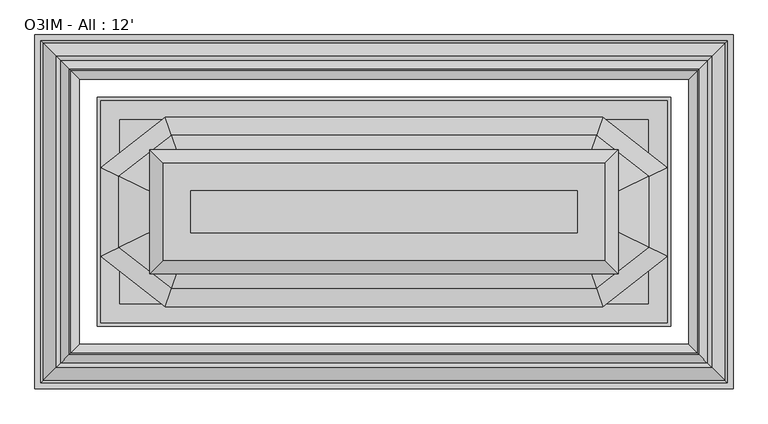
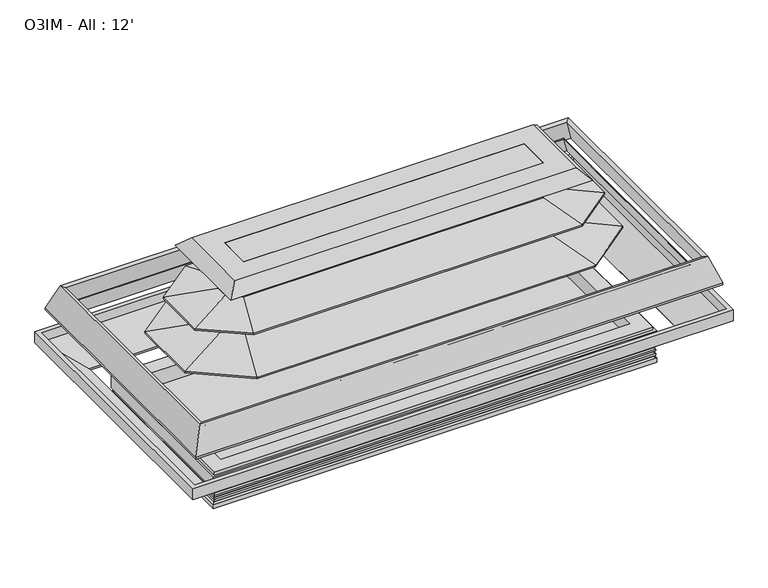
"""IFC4 building model written with IfcOpenShell, lengths in millimetres: proxy geometry, O3IM - All : 12'."""

from ifc_helpers import new_model, si_unit, point, frame, frame_2d, origin, origin_with_axes, place, context, project, spatial, polyline, circle_curve, ellipse_curve, trimmed, segment, composite_curve, outline, extrude, faceted_brep, source, transform, mapped, element, save
from ifc_brep_helpers import plane_surface, cylinder_surface, revolved_surface, advanced_brep


def o3im_all_12_2b293d4b(model_context):
    return source(origin(), model_context, "Body", "SolidModel", [
        faceted_brep([(3094.684755, -1027.5894956, 788.1618652), (3001.1369938, -1299.2719211, 797.0848621), (897.3572661, -1299.2719211, 797.0848621), (803.8095049, -1027.5894956, 788.1618652), (3095.0644333, -1026.4868297, 794.4153945), (803.4298266, -1026.4868297, 794.4153945), (3138.1389963, -901.3892154, 772.3573098), (760.3552636, -901.3892154, 772.3573098), (3138.9458127, -899.0460503, 785.6460595), (759.5484472, -899.0460503, 785.6460595), (3001.1369938, -1299.2719211, 856.2166789), (897.3572661, -1299.2719211, 856.2166789), (536.7748406, -1236.2198407, 788.1618652), (808.4572661, -1368.7282133, 797.0848621), (808.4572661, -1459.9396289, 797.0848621), (536.7748406, -1592.4480016, 788.1618652), (535.6721746, -1235.6820346, 794.4153945), (535.6721746, -1592.9858077, 794.4153945), (410.5745603, -1174.6678513, 772.3573098), (410.5745603, -1653.9999909, 772.3573098), (408.2313952, -1173.5250133, 785.6460595), (408.2313952, -1655.1428289, 785.6460595), (808.4572661, -1368.7282133, 856.2166789), (808.4572661, -1459.9396289, 856.2166789), (803.8095049, -1801.0783466, 788.1618652), (897.3572661, -1529.3959211, 797.0848621), (3001.1369938, -1529.3959211, 797.0848621), (3094.684755, -1801.0783466, 788.1618652), (803.4298266, -1802.1810126, 794.4153945), (3095.0644333, -1802.1810126, 794.4153945), (760.3552636, -1927.2786269, 772.3573098), (3138.1389963, -1927.2786269, 772.3573098), (759.5484472, -1929.621792, 785.6460595), (3138.9458127, -1929.621792, 785.6460595), (897.3572661, -1529.3959211, 856.2166789), (3001.1369938, -1529.3959211, 856.2166789), (3090.0369938, -1459.9396289, 797.0848621), (3361.7194193, -1592.4480016, 788.1618652), (3362.8220853, -1592.9858077, 794.4153945), (3487.9196996, -1653.9999909, 772.3573098), (3490.2628647, -1655.1428289, 785.6460595), (3090.0369938, -1459.9396289, 856.2166789), (3090.0369938, -1368.7282133, 797.0848621), (3361.7194193, -1236.2198407, 788.1618652), (3362.8220853, -1235.6820346, 794.4153945), (3487.9196996, -1174.6678513, 772.3573098), (3490.2628647, -1173.5250133, 785.6460595), (3090.0369938, -1368.7282133, 856.2166789)], [[[0, 1, 2, 3]], [[4, 0, 3, 5]], [[6, 4, 5, 7]], [[8, 6, 7, 9]], [[10, 8, 9, 11]], [[1, 10, 11, 2]], [[12, 13, 14, 15]], [[16, 12, 15, 17]], [[18, 16, 17, 19]], [[20, 18, 19, 21]], [[22, 20, 21, 23]], [[13, 22, 23, 14]], [[24, 25, 26, 27]], [[28, 24, 27, 29]], [[30, 28, 29, 31]], [[32, 30, 31, 33]], [[34, 32, 33, 35]], [[25, 34, 35, 26]], [[3, 2, 13, 12]], [[5, 3, 12, 16]], [[7, 5, 16, 18]], [[9, 7, 18, 20]], [[11, 9, 20, 22]], [[2, 11, 22, 13]], [[15, 14, 25, 24]], [[17, 15, 24, 28]], [[19, 17, 28, 30]], [[21, 19, 30, 32]], [[23, 21, 32, 34]], [[14, 23, 34, 25]], [[27, 26, 36, 37]], [[29, 27, 37, 38]], [[31, 29, 38, 39]], [[33, 31, 39, 40]], [[35, 33, 40, 41]], [[26, 35, 41, 36]], [[37, 36, 42, 43]], [[38, 37, 43, 44]], [[39, 38, 44, 45]], [[40, 39, 45, 46]], [[41, 40, 46, 47]], [[36, 41, 47, 42]], [[43, 42, 1, 0]], [[44, 43, 0, 4]], [[45, 44, 4, 6]], [[46, 45, 6, 8]], [[47, 46, 8, 10]], [[42, 47, 10, 1]]]),
        extrude(outline(composite_curve([segment(trimmed(circle_curve(frame_2d((3247.23125, -1313.8632439)), 12.7), [point((3234.53125, -1313.8632439))], [point((3259.93125, -1313.8632439))], False, "CARTESIAN"), True, "CONTINUOUS"), segment(trimmed(circle_curve(frame_2d((3247.23125, -1313.8632439)), 12.7), [point((3259.93125, -1313.8632439))], [point((3234.53125, -1313.8632439))], False, "CARTESIAN"), True, "CONTINUOUS")], self_intersect=False)), origin_with_axes(), (0.0, 0.0, 1.0), 101.6),
        extrude(outline(composite_curve([segment(trimmed(circle_curve(frame_2d((3247.23125, -1369.8367134)), 9.525), [point((3237.70625, -1369.8367134))], [point((3256.75625, -1369.8367134))], False, "CARTESIAN"), True, "CONTINUOUS"), segment(trimmed(circle_curve(frame_2d((3247.23125, -1369.8367134)), 9.525), [point((3256.75625, -1369.8367134))], [point((3237.70625, -1369.8367134))], False, "CARTESIAN"), True, "CONTINUOUS")], self_intersect=False)), origin_with_axes(), (0.0, 0.0, 1.0), 101.6),
        extrude(outline(composite_curve([segment(trimmed(circle_curve(frame_2d((1949.45, -996.2223778)), 38.1), [point((1911.35, -996.2223778))], [point((1987.55, -996.2223778))], False, "CARTESIAN"), True, "CONTINUOUS"), segment(trimmed(circle_curve(frame_2d((1949.45, -996.2223778)), 38.1), [point((1987.55, -996.2223778))], [point((1911.35, -996.2223778))], False, "CARTESIAN"), True, "CONTINUOUS")], self_intersect=False)), origin_with_axes(), (0.0, 0.0, 1.0), 101.6),
        extrude(outline(composite_curve([segment(trimmed(circle_curve(frame_2d((1949.45, -1833.7510429)), 38.1), [point((1987.55, -1833.7510429))], [point((1911.35, -1833.7510429))], False, "CARTESIAN"), True, "CONTINUOUS"), segment(trimmed(circle_curve(frame_2d((1949.45, -1833.7510429)), 38.1), [point((1911.35, -1833.7510429))], [point((1987.55, -1833.7510429))], False, "CARTESIAN"), True, "CONTINUOUS")], self_intersect=False)), origin_with_axes(), (0.0, 0.0, 1.0), 101.6),
        extrude(outline(polyline([(920.5432283, -1535.8952268), (1053.8932283, -1535.8952268), (1053.8932283, -1605.7452268), (920.5432283, -1605.7452268), (920.5432283, -1535.8952268)])), frame((0.0, 0.0, 8.2791794), z_axis=(0.0, 0.0, 1.0), x_axis=(1.0, 0.0, 0.0)), (0.0, 0.0, 1.0), 6.35),
        advanced_brep(
        [(3481.2053221, -819.2036052, 146.05), (417.6946779, -819.2036052, 146.05), (417.6946779, -2009.4642494, 146.05), (3481.2053221, -2009.4642494, 146.05), (3481.2053221, -819.2036052, 14.6291794), (3481.2053221, -2009.4642494, 14.6291794), (417.6946779, -2009.4642494, 14.6291794), (417.6946779, -819.2036052, 14.6291794), (1898.65, -996.2223778, 14.6291794), (2000.25, -996.2223778, 14.6291794), (1898.65, -1833.7510429, 14.6291794), (2000.25, -1833.7510429, 14.6291794), (3196.43125, -1338.1832677, 14.6291794), (3298.03125, -1338.1832677, 14.6291794), (1898.65, -996.2223778, 101.6), (2000.25, -996.2223778, 101.6), (1898.65, -1833.7510429, 101.6), (2000.25, -1833.7510429, 101.6), (3196.43125, -1338.1832677, 101.6), (3298.03125, -1338.1832677, 101.6)],
        [
            (0, 1),
            (1, 2),
            (2, 3),
            (3, 0),
            (4, 5),
            (5, 6),
            (6, 7),
            (7, 4),
            (8, 9, circle_curve(frame((1949.45, -996.2223778, 14.6291794), z_axis=(0.0, 0.0, 1.0), x_axis=(1.0, 0.0, 0.0)), 50.8)),
            (9, 8, circle_curve(frame((1949.45, -996.2223778, 14.6291794), z_axis=(0.0, 0.0, 1.0), x_axis=(1.0, 0.0, 0.0)), 50.8)),
            (10, 11, circle_curve(frame((1949.45, -1833.7510429, 14.6291794), z_axis=(0.0, 0.0, 1.0), x_axis=(1.0, 0.0, 0.0)), 50.8)),
            (11, 10, circle_curve(frame((1949.45, -1833.7510429, 14.6291794), z_axis=(0.0, 0.0, 1.0), x_axis=(1.0, 0.0, 0.0)), 50.8)),
            (12, 13, circle_curve(frame((3247.23125, -1338.1832677, 14.6291794), z_axis=(0.0, 0.0, 1.0), x_axis=(1.0, 0.0, 0.0)), 50.8)),
            (13, 12, circle_curve(frame((3247.23125, -1338.1832677, 14.6291794), z_axis=(0.0, 0.0, 1.0), x_axis=(1.0, 0.0, 0.0)), 50.8)),
            (0, 4),
            (7, 1),
            (6, 2),
            (5, 3),
            (14, 15, circle_curve(frame((1949.45, -996.2223778, 101.6), z_axis=(0.0, 0.0, -1.0), x_axis=(1.0, 0.0, 0.0)), 50.8)),
            (15, 14, circle_curve(frame((1949.45, -996.2223778, 101.6), z_axis=(0.0, 0.0, -1.0), x_axis=(1.0, 0.0, 0.0)), 50.8)),
            (16, 17, circle_curve(frame((1949.45, -1833.7510429, 101.6), z_axis=(0.0, 0.0, -1.0), x_axis=(1.0, 0.0, 0.0)), 50.8)),
            (17, 16, circle_curve(frame((1949.45, -1833.7510429, 101.6), z_axis=(0.0, 0.0, -1.0), x_axis=(1.0, 0.0, 0.0)), 50.8)),
            (15, 9),
            (8, 14),
            (17, 11),
            (10, 16),
            (18, 19, circle_curve(frame((3247.23125, -1338.1832677, 101.6), z_axis=(0.0, 0.0, -1.0), x_axis=(1.0, 0.0, 0.0)), 50.8)),
            (19, 18, circle_curve(frame((3247.23125, -1338.1832677, 101.6), z_axis=(0.0, 0.0, -1.0), x_axis=(1.0, 0.0, 0.0)), 50.8)),
            (19, 13),
            (12, 18),
        ],
        [
            plane_surface(frame((417.6946779, -819.2036052, 146.05), z_axis=(0.0, 0.0, 1.0), x_axis=(-1.0, 0.0, 0.0))),
            plane_surface(frame((417.6946779, -819.2036052, 14.6291794), z_axis=(0.0, 0.0, -1.0), x_axis=(1.0, 0.0, 0.0))),
            plane_surface(frame((3481.2053221, -819.2036052, 146.05), z_axis=(0.0, 1.0, 0.0), x_axis=(0.0, 0.0, -1.0))),
            plane_surface(frame((417.6946779, -819.2036052, 146.05), z_axis=(-1.0, 0.0, 0.0), x_axis=(0.0, 0.0, -1.0))),
            plane_surface(frame((417.6946779, -2009.4642494, 146.05), z_axis=(0.0, -1.0, 0.0), x_axis=(0.0, 0.0, -1.0))),
            plane_surface(frame((3481.2053221, -2009.4642494, 146.05), z_axis=(1.0, 0.0, 0.0), x_axis=(0.0, 0.0, -1.0))),
            plane_surface(frame((2000.25, -996.2223778, 101.6), z_axis=(0.0, 0.0, -1.0), x_axis=(0.0, 1.0, 0.0))),
            revolved_surface(polyline([(2000.25, -996.2223778, 101.6), (2000.25, -996.2223778, 14.6291794)]), (1949.45, -996.2223778, 0.0), (0.0, 0.0, 1.0)),
            revolved_surface(polyline([(2000.25, -1833.7510429, 101.6), (2000.25, -1833.7510429, 14.6291794)]), (1949.45, -1833.7510429, 0.0), (0.0, 0.0, 1.0)),
            plane_surface(frame((3298.03125, -1338.1832677, 101.6), z_axis=(0.0, 0.0, -1.0), x_axis=(0.0, 1.0, 0.0))),
            revolved_surface(polyline([(3298.03125, -1338.1832677, 101.6), (3298.03125, -1338.1832677, 14.6291794)]), (3247.23125, -1338.1832677, 0.0), (0.0, 0.0, 1.0)),
        ],
        [
            (0, [[1, 2, 3, 4]]),
            (1, [[5, 6, 7, 8], [9, 10], [11, 12], [13, 14]]),
            (2, [[-1, 15, -8, 16]]),
            (3, [[-2, -16, -7, 17]]),
            (4, [[-3, -17, -6, 18]]),
            (5, [[-4, -18, -5, -15]]),
            (6, [[19, 20]]),
            (6, [[21, 22]]),
            (7, [[-20, 23, -9, 24]]),
            (7, [[-19, -24, -10, -23]]),
            (8, [[-22, 25, -11, 26]]),
            (8, [[-21, -26, -12, -25]]),
            (9, [[27, 28]]),
            (10, [[-28, 29, -13, 30]]),
            (10, [[-27, -30, -14, -29]]),
        ],
    ),
        advanced_brep(
        [(407.5864212, -2019.5725061, 52.2515752), (404.0973241, -2023.0616032, 41.0863151), (3494.8026759, -2023.0616032, 41.0863151), (3491.3135788, -2019.5725061, 52.2515752), (3501.9507741, -2030.2097014, 50.0937524), (396.9492259, -2030.2097014, 50.0937524), (394.9553259, -2032.2036014, 62.7937524), (394.9553259, -2032.2036014, 50.0937524), (3503.9446741, -2032.2036014, 50.0937524), (3503.9446741, -2032.2036014, 62.7937524), (3494.8026759, -2023.0616032, 72.0584982), (404.0973241, -2023.0616032, 72.0584982), (3491.3135788, -2019.5725061, 83.2237583), (407.5864212, -2019.5725061, 83.2237583), (3501.9507741, -2030.2097014, 81.0659355), (396.9492259, -2030.2097014, 81.0659355), (394.9553259, -2032.2036014, 93.7659355), (394.9553259, -2032.2036014, 81.0659355), (3503.9446741, -2032.2036014, 81.0659355), (3503.9446741, -2032.2036014, 93.7659355), (3494.8026759, -2023.0616032, 103.0306813), (404.0973241, -2023.0616032, 103.0306813), (3491.3135788, -2019.5725061, 114.0694894), (407.5864212, -2019.5725061, 114.0694894), (3501.9507741, -2030.2097014, 112.0383055), (396.9492259, -2030.2097014, 112.0383055), (394.9553259, -2032.2036014, 124.7383055), (394.9553259, -2032.2036014, 112.0383055), (3503.9446741, -2032.2036014, 112.0383055), (3503.9446741, -2032.2036014, 124.7383055), (3491.3135788, -2019.5725061, 137.4381186), (407.5864212, -2019.5725061, 137.4381186), (3491.3135788, -2019.5725061, 146.05), (407.5864212, -2019.5725061, 146.05), (417.6946779, -2009.4642494, 0.0), (417.6946779, -2009.4642494, 146.05), (3481.2053221, -2009.4642494, 146.05), (3481.2053221, -2009.4642494, 0.0), (392.0670212, -2035.0919061, 31.4790022), (392.0670212, -2035.0919061, 0.0), (3506.8329788, -2035.0919061, 0.0), (3506.8329788, -2035.0919061, 31.4790022), (3494.8026759, -805.6062514, 41.0863151), (3491.3135788, -809.0953485, 52.2515752), (3501.9507741, -798.4581532, 50.0937524), (3503.9446741, -796.4642532, 50.0937524), (3503.9446741, -796.4642532, 62.7937524), (3494.8026759, -805.6062514, 72.0584982), (3491.3135788, -809.0953485, 83.2237583), (3501.9507741, -798.4581532, 81.0659355), (3503.9446741, -796.4642532, 81.0659355), (3503.9446741, -796.4642532, 93.7659355), (3494.8026759, -805.6062514, 103.0306813), (3491.3135788, -809.0953485, 114.0694894), (3501.9507741, -798.4581532, 112.0383055), (3503.9446741, -796.4642532, 112.0383055), (3503.9446741, -796.4642532, 124.7383055), (3491.3135788, -809.0953485, 137.4381186), (3491.3135788, -809.0953485, 146.05), (3481.2053221, -819.2036052, 146.05), (3481.2053221, -819.2036052, 0.0), (3506.8329788, -793.5759485, 0.0), (3506.8329788, -793.5759485, 31.4790022), (404.0973241, -805.6062514, 41.0863151), (407.5864212, -809.0953485, 52.2515752), (396.9492259, -798.4581532, 50.0937524), (394.9553259, -796.4642532, 50.0937524), (394.9553259, -796.4642532, 62.7937524), (404.0973241, -805.6062514, 72.0584982), (407.5864212, -809.0953485, 83.2237583), (396.9492259, -798.4581532, 81.0659355), (394.9553259, -796.4642532, 81.0659355), (394.9553259, -796.4642532, 93.7659355), (404.0973241, -805.6062514, 103.0306813), (407.5864212, -809.0953485, 114.0694894), (396.9492259, -798.4581532, 112.0383055), (394.9553259, -796.4642532, 112.0383055), (394.9553259, -796.4642532, 124.7383055), (407.5864212, -809.0953485, 137.4381186), (407.5864212, -809.0953485, 146.05), (417.6946779, -819.2036052, 146.05), (417.6946779, -819.2036052, 0.0), (392.0670212, -793.5759485, 0.0), (392.0670212, -793.5759485, 31.4790022)],
        [
            (0, 1),
            (1, 2),
            (2, 3),
            (3, 0),
            (3, 4),
            (4, 5),
            (5, 0),
            (6, 7),
            (7, 8),
            (8, 9),
            (9, 6),
            (9, 10, ellipse_curve(frame((3507.1365131, -2035.3954404, 75.0861144), z_axis=(0.7071067811865475, 0.7071067811865475, 0.0), x_axis=(0.7071067811865476, -0.7071067811865474, 0.0)), 17.9605122, 12.7)),
            (10, 11),
            (11, 6, ellipse_curve(frame((391.7634869, -2035.3954404, 75.0861144), z_axis=(-0.7071067811865475, 0.7071067811865475, 0.0), x_axis=(0.7071067811865476, 0.7071067811865474, 0.0)), 17.9605122, 12.7)),
            (10, 12),
            (12, 13),
            (13, 11),
            (12, 14),
            (14, 15),
            (15, 13),
            (16, 17),
            (17, 18),
            (18, 19),
            (19, 16),
            (19, 20, ellipse_curve(frame((3507.1365131, -2035.3954404, 106.0582975), z_axis=(0.7071067811865475, 0.7071067811865475, 0.0), x_axis=(0.7071067811865476, -0.7071067811865474, 0.0)), 17.9605122, 12.7)),
            (20, 21),
            (21, 16, ellipse_curve(frame((391.7634869, -2035.3954404, 106.0582975), z_axis=(-0.7071067811865475, 0.7071067811865475, 0.0), x_axis=(0.7071067811865476, 0.7071067811865474, 0.0)), 17.9605122, 12.7)),
            (20, 22),
            (22, 23),
            (23, 21),
            (22, 24),
            (24, 25),
            (25, 23),
            (26, 27),
            (27, 28),
            (28, 29),
            (29, 26),
            (29, 30, ellipse_curve(frame((3504.0135788, -2032.2725061, 137.4381186), z_axis=(0.7071067811865475, 0.7071067811865475, 0.0), x_axis=(0.7071067811865476, -0.7071067811865474, 0.0)), 17.9605122, 12.7)),
            (30, 31),
            (31, 26, ellipse_curve(frame((394.8864212, -2032.2725061, 137.4381186), z_axis=(-0.7071067811865475, 0.7071067811865475, 0.0), x_axis=(0.7071067811865476, 0.7071067811865474, 0.0)), 17.9605122, 12.7)),
            (30, 32),
            (32, 33),
            (33, 31),
            (34, 35),
            (35, 36),
            (36, 37),
            (37, 34),
            (38, 39),
            (39, 40),
            (40, 41),
            (41, 38),
            (1, 38, ellipse_curve(frame((393.1207685, -2034.0381588, 42.4953422), z_axis=(-0.7071067811865475, 0.7071067811865475, 0.0), x_axis=(0.7071067811865476, 0.7071067811865474, 0.0)), 15.6505674, 11.0666223)),
            (41, 2, ellipse_curve(frame((3505.7792315, -2034.0381588, 42.4953422), z_axis=(0.7071067811865475, 0.7071067811865475, 0.0), x_axis=(0.7071067811865476, -0.7071067811865474, 0.0)), 15.6505674, 11.0666223)),
            (2, 42),
            (42, 43),
            (43, 3),
            (43, 44),
            (44, 4),
            (8, 45),
            (45, 46),
            (46, 9),
            (46, 47, ellipse_curve(frame((3507.1365131, -793.2724142, 75.0861144), z_axis=(-0.7071067811865475, 0.7071067811865475, 0.0), x_axis=(0.7071067811865474, 0.7071067811865476, 0.0)), 17.9605122, 12.7)),
            (47, 10),
            (47, 48),
            (48, 12),
            (48, 49),
            (49, 14),
            (18, 50),
            (50, 51),
            (51, 19),
            (51, 52, ellipse_curve(frame((3507.1365131, -793.2724142, 106.0582975), z_axis=(-0.7071067811865475, 0.7071067811865475, 0.0), x_axis=(0.7071067811865474, 0.7071067811865476, 0.0)), 17.9605122, 12.7)),
            (52, 20),
            (52, 53),
            (53, 22),
            (53, 54),
            (54, 24),
            (28, 55),
            (55, 56),
            (56, 29),
            (56, 57, ellipse_curve(frame((3504.0135788, -796.3953485, 137.4381186), z_axis=(-0.7071067811865475, 0.7071067811865475, 0.0), x_axis=(0.7071067811865474, 0.7071067811865476, 0.0)), 17.9605122, 12.7)),
            (57, 30),
            (57, 58),
            (58, 32),
            (36, 59),
            (59, 60),
            (60, 37),
            (40, 61),
            (61, 62),
            (62, 41),
            (62, 42, ellipse_curve(frame((3505.7792315, -794.6296958, 42.4953422), z_axis=(-0.7071067811865475, 0.7071067811865475, 0.0), x_axis=(0.7071067811865474, 0.7071067811865476, 0.0)), 15.6505674, 11.0666223)),
            (42, 63),
            (63, 64),
            (64, 43),
            (64, 65),
            (65, 44),
            (45, 66),
            (66, 67),
            (67, 46),
            (67, 68, ellipse_curve(frame((391.7634869, -793.2724142, 75.0861144), z_axis=(-0.7071067811865475, -0.7071067811865475, 0.0), x_axis=(-0.7071067811865476, 0.7071067811865474, 0.0)), 17.9605122, 12.7)),
            (68, 47),
            (68, 69),
            (69, 48),
            (69, 70),
            (70, 49),
            (50, 71),
            (71, 72),
            (72, 51),
            (72, 73, ellipse_curve(frame((391.7634869, -793.2724142, 106.0582975), z_axis=(-0.7071067811865475, -0.7071067811865475, 0.0), x_axis=(-0.7071067811865476, 0.7071067811865474, 0.0)), 17.9605122, 12.7)),
            (73, 52),
            (73, 74),
            (74, 53),
            (74, 75),
            (75, 54),
            (55, 76),
            (76, 77),
            (77, 56),
            (77, 78, ellipse_curve(frame((394.8864212, -796.3953485, 137.4381186), z_axis=(-0.7071067811865475, -0.7071067811865475, 0.0), x_axis=(-0.7071067811865476, 0.7071067811865474, 0.0)), 17.9605122, 12.7)),
            (78, 57),
            (78, 79),
            (79, 58),
            (59, 80),
            (80, 81),
            (81, 60),
            (61, 82),
            (82, 83),
            (83, 62),
            (83, 63, ellipse_curve(frame((393.1207685, -794.6296958, 42.4953422), z_axis=(-0.7071067811865475, -0.7071067811865475, 0.0), x_axis=(-0.7071067811865476, 0.7071067811865474, 0.0)), 15.6505674, 11.0666223)),
            (0, 64),
            (63, 1),
            (5, 65),
            (7, 66),
            (6, 67),
            (11, 68),
            (13, 69),
            (15, 70),
            (17, 71),
            (16, 72),
            (21, 73),
            (23, 74),
            (25, 75),
            (27, 76),
            (26, 77),
            (31, 78),
            (33, 79),
            (35, 80),
            (34, 81),
            (39, 82),
            (38, 83),
        ],
        [
            plane_surface(frame((404.0973241, -2023.0616032, 41.0863151), z_axis=(0.0, -0.9544811145040373, 0.2982713564107874), x_axis=(1.0, 0.0, 0.0))),
            plane_surface(frame((407.5864212, -2019.5725061, 52.2515752), z_axis=(0.0, 0.19880707887698196, -0.9800386448443763), x_axis=(1.0, 0.0, 0.0))),
            plane_surface(frame((394.9553259, -2032.2036014, 50.0937524), z_axis=(0.0, -1.0, 0.0), x_axis=(1.0, 0.0, 0.0))),
            revolved_surface(polyline([(3519.8365130702036, -2022.6954404, 75.0861144), (379.0634869297963, -2022.6954404, 75.0861144)]), (0.0, -2035.3954404, 75.0861144), (1.0, 0.0, 0.0)),
            plane_surface(frame((404.0973241, -2023.0616032, 72.0584982), z_axis=(0.0, -0.9544811145041052, 0.2982713564105698), x_axis=(1.0, 0.0, 0.0))),
            plane_surface(frame((407.5864212, -2019.5725061, 83.2237583), z_axis=(0.0, 0.1988070788769928, -0.9800386448443741), x_axis=(1.0, 0.0, 0.0))),
            plane_surface(frame((394.9553259, -2032.2036014, 81.0659355), z_axis=(0.0, -1.0, 0.0), x_axis=(1.0, 0.0, 0.0))),
            revolved_surface(polyline([(3519.8365130702036, -2022.6954404, 106.0582975), (379.0634869297963, -2022.6954404, 106.0582975)]), (0.0, -2035.3954404, 106.0582975), (1.0, 0.0, 0.0)),
            plane_surface(frame((404.0973241, -2023.0616032, 103.0306813), z_axis=(0.0, -0.9535043111328932, 0.30137937661855163), x_axis=(1.0, 0.0, 0.0))),
            plane_surface(frame((407.5864212, -2019.5725061, 114.0694894), z_axis=(0.0, 0.1875622155180167, -0.9822527247658686), x_axis=(1.0, 0.0, 0.0))),
            plane_surface(frame((394.9553259, -2032.2036014, 112.0383055), z_axis=(0.0, -1.0, 0.0), x_axis=(1.0, 0.0, 0.0))),
            revolved_surface(polyline([(3516.7135787702036, -2019.5725061, 137.4381186), (382.1864212297963, -2019.5725061, 137.4381186)]), (0.0, -2032.2725061, 137.4381186), (1.0, 0.0, 0.0)),
            plane_surface(frame((407.5864212, -2019.5725061, 137.4381186), z_axis=(0.0, -1.0, 0.0), x_axis=(1.0, 0.0, 0.0))),
            plane_surface(frame((417.6946779, -2009.4642494, 146.05), z_axis=(0.0, 1.0, 0.0), x_axis=(1.0, 0.0, 0.0))),
            plane_surface(frame((392.0670212, -2035.0919061, 0.0), z_axis=(0.0, -1.0, 0.0), x_axis=(1.0, 0.0, 0.0))),
            revolved_surface(polyline([(3516.8458538379573, -2022.9715365, 42.4953422), (382.05414616204285, -2022.9715365, 42.4953422)]), (0.0, -2034.0381588, 42.4953422), (1.0, 0.0, 0.0)),
            plane_surface(frame((3494.8026759, -2023.0616032, 41.0863151), z_axis=(0.9544811145040373, 0.0, 0.2982713564107874), x_axis=(0.0, 1.0, 0.0))),
            plane_surface(frame((3491.3135788, -2019.5725061, 52.2515752), z_axis=(-0.19880707887698196, 0.0, -0.9800386448443763), x_axis=(0.0, 1.0, 0.0))),
            plane_surface(frame((3503.9446741, -2032.2036014, 50.0937524), z_axis=(1.0, 0.0, 0.0), x_axis=(0.0, 1.0, 0.0))),
            revolved_surface(polyline([(3494.4365131, -780.5724142297963, 75.0861144), (3494.4365131, -2048.095440370204, 75.0861144)]), (3507.1365131, -2427.1589273, 75.0861144), (0.0, 1.0, 0.0)),
            plane_surface(frame((3494.8026759, -2023.0616032, 72.0584982), z_axis=(0.9544811145041052, 0.0, 0.2982713564105698), x_axis=(0.0, 1.0, 0.0))),
            plane_surface(frame((3491.3135788, -2019.5725061, 83.2237583), z_axis=(-0.1988070788769928, 0.0, -0.9800386448443741), x_axis=(0.0, 1.0, 0.0))),
            plane_surface(frame((3503.9446741, -2032.2036014, 81.0659355), z_axis=(1.0, 0.0, 0.0), x_axis=(0.0, 1.0, 0.0))),
            revolved_surface(polyline([(3494.4365131, -780.5724142297963, 106.0582975), (3494.4365131, -2048.095440370204, 106.0582975)]), (3507.1365131, -2427.1589273, 106.0582975), (0.0, 1.0, 0.0)),
            plane_surface(frame((3494.8026759, -2023.0616032, 103.0306813), z_axis=(0.9535043111328932, 0.0, 0.30137937661855163), x_axis=(0.0, 1.0, 0.0))),
            plane_surface(frame((3491.3135788, -2019.5725061, 114.0694894), z_axis=(-0.1875622155180167, 0.0, -0.9822527247658686), x_axis=(0.0, 1.0, 0.0))),
            plane_surface(frame((3503.9446741, -2032.2036014, 112.0383055), z_axis=(1.0, 0.0, 0.0), x_axis=(0.0, 1.0, 0.0))),
            revolved_surface(polyline([(3491.3135788, -783.6953485297963, 137.4381186), (3491.3135788, -2044.9725060702037, 137.4381186)]), (3504.0135788, -2427.1589273, 137.4381186), (0.0, 1.0, 0.0)),
            plane_surface(frame((3491.3135788, -2019.5725061, 137.4381186), z_axis=(1.0, 0.0, 0.0), x_axis=(0.0, 1.0, 0.0))),
            plane_surface(frame((3481.2053221, -2009.4642494, 146.05), z_axis=(-1.0, 0.0, 0.0), x_axis=(0.0, 1.0, 0.0))),
            plane_surface(frame((3506.8329788, -2035.0919061, 0.0), z_axis=(1.0, 0.0, 0.0), x_axis=(0.0, 1.0, 0.0))),
            revolved_surface(polyline([(3494.7126092000003, -783.5630734620429, 42.4953422), (3494.7126092000003, -2045.1047811379572, 42.4953422)]), (3505.7792315, -2427.1589273, 42.4953422), (0.0, 1.0, 0.0)),
            plane_surface(frame((3494.8026759, -805.6062514, 41.0863151), z_axis=(0.0, 0.9544811145040373, 0.2982713564107874), x_axis=(-1.0, 0.0, 0.0))),
            plane_surface(frame((3491.3135788, -809.0953485, 52.2515752), z_axis=(0.0, -0.19880707887698196, -0.9800386448443763), x_axis=(-1.0, 0.0, 0.0))),
            plane_surface(frame((3503.9446741, -796.4642532, 50.0937524), z_axis=(0.0, 1.0, 0.0), x_axis=(-1.0, 0.0, 0.0))),
            revolved_surface(polyline([(379.063486929796, -805.9724142, 75.0861144), (3519.8365130702036, -805.9724142, 75.0861144)]), (3898.9, -793.2724142, 75.0861144), (-1.0, 0.0, 0.0)),
            plane_surface(frame((3494.8026759, -805.6062514, 72.0584982), z_axis=(0.0, 0.9544811145041052, 0.2982713564105698), x_axis=(-1.0, 0.0, 0.0))),
            plane_surface(frame((3491.3135788, -809.0953485, 83.2237583), z_axis=(0.0, -0.1988070788769928, -0.9800386448443741), x_axis=(-1.0, 0.0, 0.0))),
            plane_surface(frame((3503.9446741, -796.4642532, 81.0659355), z_axis=(0.0, 1.0, 0.0), x_axis=(-1.0, 0.0, 0.0))),
            revolved_surface(polyline([(379.063486929796, -805.9724142, 106.0582975), (3519.8365130702036, -805.9724142, 106.0582975)]), (3898.9, -793.2724142, 106.0582975), (-1.0, 0.0, 0.0)),
            plane_surface(frame((3494.8026759, -805.6062514, 103.0306813), z_axis=(0.0, 0.9535043111328932, 0.30137937661855163), x_axis=(-1.0, 0.0, 0.0))),
            plane_surface(frame((3491.3135788, -809.0953485, 114.0694894), z_axis=(0.0, -0.1875622155180167, -0.9822527247658686), x_axis=(-1.0, 0.0, 0.0))),
            plane_surface(frame((3503.9446741, -796.4642532, 112.0383055), z_axis=(0.0, 1.0, 0.0), x_axis=(-1.0, 0.0, 0.0))),
            revolved_surface(polyline([(382.186421229796, -809.0953485, 137.4381186), (3516.7135787702036, -809.0953485, 137.4381186)]), (3898.9, -796.3953485, 137.4381186), (-1.0, 0.0, 0.0)),
            plane_surface(frame((3491.3135788, -809.0953485, 137.4381186), z_axis=(0.0, 1.0, 0.0), x_axis=(-1.0, 0.0, 0.0))),
            plane_surface(frame((3481.2053221, -819.2036052, 146.05), z_axis=(0.0, -1.0, 0.0), x_axis=(-1.0, 0.0, 0.0))),
            plane_surface(frame((3506.8329788, -793.5759485, 0.0), z_axis=(0.0, 1.0, 0.0), x_axis=(-1.0, 0.0, 0.0))),
            revolved_surface(polyline([(382.0541461620428, -805.6963181, 42.4953422), (3516.8458538379573, -805.6963181, 42.4953422)]), (3898.9, -794.6296958, 42.4953422), (-1.0, 0.0, 0.0)),
            plane_surface(frame((404.0973241, -805.6062514, 41.0863151), z_axis=(-0.9544811145040373, 0.0, 0.2982713564107874), x_axis=(0.0, -1.0, 0.0))),
            plane_surface(frame((407.5864212, -809.0953485, 52.2515752), z_axis=(0.19880707887698196, 0.0, -0.9800386448443763), x_axis=(0.0, -1.0, 0.0))),
            plane_surface(frame((396.9492259, -798.4581532, 50.0937524), z_axis=(0.0, 0.0, -1.0), x_axis=(0.0, -1.0, 0.0))),
            plane_surface(frame((394.9553259, -796.4642532, 50.0937524), z_axis=(-1.0, 0.0, 0.0), x_axis=(0.0, -1.0, 0.0))),
            revolved_surface(polyline([(404.46348689999996, -2048.095440370204, 75.0861144), (404.46348689999996, -780.5724142297963, 75.0861144)]), (391.7634869, -401.5089273, 75.0861144), (0.0, -1.0, 0.0)),
            plane_surface(frame((404.0973241, -805.6062514, 72.0584982), z_axis=(-0.9544811145041052, 0.0, 0.2982713564105698), x_axis=(0.0, -1.0, 0.0))),
            plane_surface(frame((407.5864212, -809.0953485, 83.2237583), z_axis=(0.1988070788769928, 0.0, -0.9800386448443741), x_axis=(0.0, -1.0, 0.0))),
            plane_surface(frame((396.9492259, -798.4581532, 81.0659355), z_axis=(0.0, 0.0, -1.0), x_axis=(0.0, -1.0, 0.0))),
            plane_surface(frame((394.9553259, -796.4642532, 81.0659355), z_axis=(-1.0, 0.0, 0.0), x_axis=(0.0, -1.0, 0.0))),
            revolved_surface(polyline([(404.46348689999996, -2048.095440370204, 106.0582975), (404.46348689999996, -780.5724142297963, 106.0582975)]), (391.7634869, -401.5089273, 106.0582975), (0.0, -1.0, 0.0)),
            plane_surface(frame((404.0973241, -805.6062514, 103.0306813), z_axis=(-0.9535043111328932, 0.0, 0.30137937661855163), x_axis=(0.0, -1.0, 0.0))),
            plane_surface(frame((407.5864212, -809.0953485, 114.0694894), z_axis=(0.1875622155180167, 0.0, -0.9822527247658686), x_axis=(0.0, -1.0, 0.0))),
            plane_surface(frame((396.9492259, -798.4581532, 112.0383055), z_axis=(0.0, 0.0, -1.0), x_axis=(0.0, -1.0, 0.0))),
            plane_surface(frame((394.9553259, -796.4642532, 112.0383055), z_axis=(-1.0, 0.0, 0.0), x_axis=(0.0, -1.0, 0.0))),
            revolved_surface(polyline([(407.58642119999996, -2044.972506070204, 137.4381186), (407.58642119999996, -783.6953485297963, 137.4381186)]), (394.8864212, -401.5089273, 137.4381186), (0.0, -1.0, 0.0)),
            plane_surface(frame((407.5864212, -809.0953485, 137.4381186), z_axis=(-1.0, 0.0, 0.0), x_axis=(0.0, -1.0, 0.0))),
            plane_surface(frame((407.5864212, -809.0953485, 146.05), z_axis=(0.0, 0.0, 1.0), x_axis=(0.0, -1.0, 0.0))),
            plane_surface(frame((417.6946779, -819.2036052, 146.05), z_axis=(1.0, 0.0, 0.0), x_axis=(0.0, -1.0, 0.0))),
            plane_surface(frame((417.6946779, -819.2036052, 0.0), z_axis=(0.0, 0.0, -1.0), x_axis=(0.0, -1.0, 0.0))),
            plane_surface(frame((392.0670212, -793.5759485, 0.0), z_axis=(-1.0, 0.0, 0.0), x_axis=(0.0, -1.0, 0.0))),
            revolved_surface(polyline([(404.1873908, -2045.1047811379572, 42.4953422), (404.1873908, -783.5630734620429, 42.4953422)]), (393.1207685, -401.5089273, 42.4953422), (0.0, -1.0, 0.0)),
        ],
        [
            (0, [[1, 2, 3, 4]]),
            (1, [[-4, 5, 6, 7]]),
            (2, [[8, 9, 10, 11]]),
            (3, [[-11, 12, 13, 14]]),
            (4, [[-13, 15, 16, 17]]),
            (5, [[-16, 18, 19, 20]]),
            (6, [[21, 22, 23, 24]]),
            (7, [[-24, 25, 26, 27]]),
            (8, [[-26, 28, 29, 30]]),
            (9, [[-29, 31, 32, 33]]),
            (10, [[34, 35, 36, 37]]),
            (11, [[-37, 38, 39, 40]]),
            (12, [[-39, 41, 42, 43]]),
            (13, [[44, 45, 46, 47]]),
            (14, [[48, 49, 50, 51]]),
            (15, [[-2, 52, -51, 53]]),
            (16, [[-3, 54, 55, 56]]),
            (17, [[-5, -56, 57, 58]]),
            (18, [[-10, 59, 60, 61]]),
            (19, [[-12, -61, 62, 63]]),
            (20, [[-15, -63, 64, 65]]),
            (21, [[-18, -65, 66, 67]]),
            (22, [[-23, 68, 69, 70]]),
            (23, [[-25, -70, 71, 72]]),
            (24, [[-28, -72, 73, 74]]),
            (25, [[-31, -74, 75, 76]]),
            (26, [[-36, 77, 78, 79]]),
            (27, [[-38, -79, 80, 81]]),
            (28, [[-41, -81, 82, 83]]),
            (29, [[-46, 84, 85, 86]]),
            (30, [[-50, 87, 88, 89]]),
            (31, [[-53, -89, 90, -54]]),
            (32, [[-55, 91, 92, 93]]),
            (33, [[-57, -93, 94, 95]]),
            (34, [[-60, 96, 97, 98]]),
            (35, [[-62, -98, 99, 100]]),
            (36, [[-64, -100, 101, 102]]),
            (37, [[-66, -102, 103, 104]]),
            (38, [[-69, 105, 106, 107]]),
            (39, [[-71, -107, 108, 109]]),
            (40, [[-73, -109, 110, 111]]),
            (41, [[-75, -111, 112, 113]]),
            (42, [[-78, 114, 115, 116]]),
            (43, [[-80, -116, 117, 118]]),
            (44, [[-82, -118, 119, 120]]),
            (45, [[-85, 121, 122, 123]]),
            (46, [[-88, 124, 125, 126]]),
            (47, [[-90, -126, 127, -91]]),
            (48, [[-1, 128, -92, 129]]),
            (49, [[-7, 130, -94, -128]]),
            (50, [[-9, 131, -96, -59], [-6, -58, -95, -130]]),
            (51, [[-8, 132, -97, -131]]),
            (52, [[-14, 133, -99, -132]]),
            (53, [[-17, 134, -101, -133]]),
            (54, [[-20, 135, -103, -134]]),
            (55, [[-22, 136, -105, -68], [-19, -67, -104, -135]]),
            (56, [[-21, 137, -106, -136]]),
            (57, [[-27, 138, -108, -137]]),
            (58, [[-30, 139, -110, -138]]),
            (59, [[-33, 140, -112, -139]]),
            (60, [[-35, 141, -114, -77], [-32, -76, -113, -140]]),
            (61, [[-34, 142, -115, -141]]),
            (62, [[-40, 143, -117, -142]]),
            (63, [[-43, 144, -119, -143]]),
            (64, [[-42, -83, -120, -144], [-45, 145, -121, -84]]),
            (65, [[-44, 146, -122, -145]]),
            (66, [[-49, 147, -124, -87], [-47, -86, -123, -146]]),
            (67, [[-48, 148, -125, -147]]),
            (68, [[-52, -129, -127, -148]]),
        ],
    ),
        faceted_brep([(188.6710999, -2238.4878274, 835.9605394), (121.4116342, -2305.7472931, 651.1666761), (121.4116342, -522.9205615, 651.1666761), (188.6710999, -590.1800272, 835.9605394), (163.3111453, -2263.847782, 845.190808), (163.3111453, -564.8200726, 845.190808), (97.5838499, -2329.5750774, 664.6065482), (97.5838499, -499.0927772, 664.6065482), (97.5838499, -2329.5750774, 651.1666761), (97.5838499, -499.0927772, 651.1666761), (3777.4883658, -522.9205615, 651.1666761), (3710.2289001, -590.1800272, 835.9605394), (3735.5888547, -564.8200726, 845.190808), (3801.3161501, -499.0927772, 664.6065482), (3801.3161501, -499.0927772, 651.1666761), (3777.4883658, -2305.7472931, 651.1666761), (3710.2289001, -2238.4878274, 835.9605394), (3735.5888547, -2263.847782, 845.190808), (3801.3161501, -2329.5750774, 664.6065482), (3801.3161501, -2329.5750774, 651.1666761)], [[[0, 1, 2, 3]], [[4, 0, 3, 5]], [[6, 4, 5, 7]], [[8, 6, 7, 9]], [[3, 2, 10, 11]], [[5, 3, 11, 12]], [[7, 5, 12, 13]], [[9, 7, 13, 14]], [[11, 10, 15, 16]], [[12, 11, 16, 17]], [[13, 12, 17, 18]], [[14, 13, 18, 19]], [[16, 15, 1, 0]], [[17, 16, 0, 4]], [[18, 17, 4, 6]], [[19, 18, 6, 8]], [[9, 14, 19, 8], [1, 15, 10, 2]]]),
        advanced_brep(
        [(182.292374, -2244.8665533, 622.6991544), (238.6565792, -2188.5023481, 761.7268557), (238.6565792, -640.1655065, 761.7268557), (182.292374, -583.8013013, 622.6991544), (186.7059518, -2240.4529755, 620.9098146), (186.7059518, -2240.4529755, 622.6991544), (186.7059518, -588.2148791, 622.6991544), (186.7059518, -588.2148791, 620.9098146), (243.070157, -2184.0887703, 759.9375159), (243.070157, -644.5790843, 759.9375159), (3660.2434208, -640.1655065, 761.7268557), (3716.607626, -583.8013013, 622.6991544), (3712.1940482, -588.2148791, 622.6991544), (3712.1940482, -588.2148791, 620.9098146), (3655.829843, -644.5790843, 759.9375159), (3660.2434208, -2188.5023481, 761.7268557), (3716.607626, -2244.8665533, 622.6991544), (3712.1940482, -2240.4529755, 622.6991544), (3712.1940482, -2240.4529755, 620.9098146), (3655.829843, -2184.0887703, 759.9375159)],
        [
            (0, 1),
            (1, 2),
            (2, 3),
            (3, 0),
            (4, 5),
            (5, 6),
            (6, 7),
            (7, 4),
            (8, 4),
            (7, 9),
            (9, 8),
            (1, 8, ellipse_curve(frame((240.8633681, -2186.2955592, 760.8321858), z_axis=(-0.7071067811865475, 0.7071067811865475, 0.0), x_axis=(-0.7071067811865474, -0.7071067811865476, 0.0)), 3.367596, 2.38125)),
            (9, 2, ellipse_curve(frame((240.8633681, -642.3722954, 760.8321858), z_axis=(-0.7071067811865475, -0.7071067811865475, 0.0), x_axis=(0.7071067811865474, -0.7071067811865476, 0.0)), 3.367596, 2.38125)),
            (2, 10),
            (10, 11),
            (11, 3),
            (6, 12),
            (12, 13),
            (13, 7),
            (13, 14),
            (14, 9),
            (14, 10, ellipse_curve(frame((3658.0366319, -642.3722954, 760.8321858), z_axis=(-0.7071067811865475, 0.7071067811865475, 0.0), x_axis=(-0.7071067811865476, -0.7071067811865474, 0.0)), 3.367596, 2.38125)),
            (10, 15),
            (15, 16),
            (16, 11),
            (12, 17),
            (17, 18),
            (18, 13),
            (18, 19),
            (19, 14),
            (19, 15, ellipse_curve(frame((3658.0366319, -2186.2955592, 760.8321858), z_axis=(0.7071067811865475, 0.7071067811865475, 0.0), x_axis=(-0.7071067811865474, 0.7071067811865476, 0.0)), 3.367596, 2.38125)),
            (15, 1),
            (0, 16),
            (5, 17),
            (4, 18),
            (8, 19),
        ],
        [
            plane_surface(frame((238.6565792, -2188.5023481, 761.7268557), z_axis=(-0.9267354998635696, 0.0, 0.37571440389293004), x_axis=(0.0, 1.0, 0.0))),
            plane_surface(frame((186.7059518, -2240.4529755, 622.6991544), z_axis=(-1.0, 0.0, 0.0), x_axis=(0.0, 1.0, 0.0))),
            plane_surface(frame((186.7059518, -2240.4529755, 620.9098146), z_axis=(0.926735499863471, 0.0, -0.37571440389317323), x_axis=(0.0, 1.0, 0.0))),
            cylinder_surface(frame((240.8633681, -2374.82165, 760.8321858), z_axis=(0.0, -1.0, 0.0), x_axis=(-1.0, 0.0, 0.0)), 2.38125),
            plane_surface(frame((238.6565792, -640.1655065, 761.7268557), z_axis=(0.0, 0.9267354998635696, 0.37571440389293004), x_axis=(1.0, 0.0, 0.0))),
            plane_surface(frame((186.7059518, -588.2148791, 622.6991544), z_axis=(0.0, 1.0, 0.0), x_axis=(1.0, 0.0, 0.0))),
            plane_surface(frame((186.7059518, -588.2148791, 620.9098146), z_axis=(0.0, -0.926735499863471, -0.37571440389317323), x_axis=(1.0, 0.0, 0.0))),
            cylinder_surface(frame((52.3372773, -642.3722954, 760.8321858), z_axis=(-1.0, 0.0, 0.0), x_axis=(0.0, 1.0, 0.0)), 2.38125),
            plane_surface(frame((3660.2434208, -640.1655065, 761.7268557), z_axis=(0.9267354998635696, 0.0, 0.37571440389293004), x_axis=(0.0, -1.0, 0.0))),
            plane_surface(frame((3712.1940482, -588.2148791, 622.6991544), z_axis=(1.0, 0.0, 0.0), x_axis=(0.0, -1.0, 0.0))),
            plane_surface(frame((3712.1940482, -588.2148791, 620.9098146), z_axis=(-0.926735499863471, 0.0, -0.37571440389317323), x_axis=(0.0, -1.0, 0.0))),
            cylinder_surface(frame((3658.0366319, -453.8462046, 760.8321858), z_axis=(0.0, 1.0, 0.0), x_axis=(1.0, 0.0, 0.0)), 2.38125),
            plane_surface(frame((3660.2434208, -2188.5023481, 761.7268557), z_axis=(0.0, -0.9267354998635696, 0.37571440389293004), x_axis=(-1.0, 0.0, 0.0))),
            plane_surface(frame((3716.607626, -2244.8665533, 622.6991544), z_axis=(0.0, 0.0, -1.0), x_axis=(-1.0, 0.0, 0.0))),
            plane_surface(frame((3712.1940482, -2240.4529755, 622.6991544), z_axis=(0.0, -1.0, 0.0), x_axis=(-1.0, 0.0, 0.0))),
            plane_surface(frame((3712.1940482, -2240.4529755, 620.9098146), z_axis=(0.0, 0.926735499863471, -0.37571440389317323), x_axis=(-1.0, 0.0, 0.0))),
            cylinder_surface(frame((3846.5627227, -2186.2955592, 760.8321858), z_axis=(1.0, 0.0, 0.0), x_axis=(0.0, -1.0, 0.0)), 2.38125),
        ],
        [
            (0, [[1, 2, 3, 4]]),
            (1, [[5, 6, 7, 8]]),
            (2, [[9, -8, 10, 11]]),
            (3, [[12, -11, 13, -2]]),
            (4, [[-3, 14, 15, 16]]),
            (5, [[-7, 17, 18, 19]]),
            (6, [[-10, -19, 20, 21]]),
            (7, [[-13, -21, 22, -14]]),
            (8, [[-15, 23, 24, 25]]),
            (9, [[-18, 26, 27, 28]]),
            (10, [[-20, -28, 29, 30]]),
            (11, [[-22, -30, 31, -23]]),
            (12, [[-24, 32, -1, 33]]),
            (13, [[-16, -25, -33, -4], [34, -26, -17, -6]]),
            (14, [[-27, -34, -5, 35]]),
            (15, [[-29, -35, -9, 36]]),
            (16, [[-31, -36, -12, -32]]),
        ],
    ),
        extrude(outline(polyline([(3001.1369938, -1299.2719335), (3001.1369938, -1529.3959211), (897.7630062, -1529.3959211), (897.7630062, -1299.2719335), (3001.1369938, -1299.2719335)])), frame((0.0, 0.0, 1248.2092054), z_axis=(0.0, 0.0, 1.0), x_axis=(1.0, 0.0, 0.0)), (0.0, 0.0, 1.0), 103.3925234),
        extrude(outline(polyline([(3001.1369938, -1299.2719211), (3090.0369938, -1368.7282133), (3090.0369938, -1459.9396289), (3001.1369938, -1529.3959211), (897.7630062, -1529.3959211), (808.8630062, -1459.9396289), (808.8630062, -1368.7282133), (897.7630062, -1299.2719211), (3001.1369938, -1299.2719211)])), frame((0.0, 0.0, 583.240307), z_axis=(0.0, 0.0, 1.0), x_axis=(1.0, 0.0, 0.0)), (0.0, 0.0, 1.0), 664.9688983),
        faceted_brep([(3060.0633413, -1128.1373819, 1046.6677213), (3059.3039846, -1130.3427138, 1034.1606629), (839.1902753, -1130.3427138, 1034.1606629), (838.4309186, -1128.1373819, 1046.6677213), (3103.6867915, -1001.4456831, 1024.3285566), (794.8074684, -1001.4456831, 1024.3285566), (3104.493608, -999.102518, 1037.6173062), (794.0006519, -999.102518, 1037.6173062), (3001.1369938, -1299.2719211, 1090.5452708), (897.3572661, -1299.2719211, 1090.5452708), (3001.1369938, -1299.2719211, 1031.8712082), (897.3572661, -1299.2719211, 1031.8712082), (637.3227269, -1285.2603215, 1046.6677213), (639.5280587, -1286.3359337, 1034.1606629), (639.5280587, -1542.3319085, 1034.1606629), (637.3227269, -1543.4075207, 1046.6677213), (510.631028, -1223.4686513, 1024.3285566), (510.631028, -1605.1991909, 1024.3285566), (508.2878629, -1222.3258133, 1037.6173062), (508.2878629, -1606.3420289, 1037.6173062), (808.4572661, -1368.7282133, 1090.5452708), (808.4572661, -1459.9396289, 1090.5452708), (808.4572661, -1368.7282133, 1031.8712082), (808.4572661, -1459.9396289, 1031.8712082), (838.4309186, -1700.5304603, 1046.6677213), (839.1902753, -1698.3251285, 1034.1606629), (3059.3039846, -1698.3251285, 1034.1606629), (3060.0633413, -1700.5304603, 1046.6677213), (794.8074684, -1827.2221592, 1024.3285566), (3103.6867915, -1827.2221592, 1024.3285566), (794.0006519, -1829.5653242, 1037.6173062), (3104.493608, -1829.5653242, 1037.6173062), (897.3572661, -1529.3959211, 1090.5452708), (3001.1369938, -1529.3959211, 1090.5452708), (897.3572661, -1529.3959211, 1031.8712082), (3001.1369938, -1529.3959211, 1031.8712082), (3258.9662012, -1542.3319085, 1034.1606629), (3261.171533, -1543.4075207, 1046.6677213), (3387.8632319, -1605.1991909, 1024.3285566), (3390.2063969, -1606.3420289, 1037.6173062), (3090.0369938, -1459.9396289, 1090.5452708), (3090.0369938, -1459.9396289, 1031.8712082), (3258.9662012, -1286.3359337, 1034.1606629), (3261.171533, -1285.2603215, 1046.6677213), (3387.8632319, -1223.4686513, 1024.3285566), (3390.2063969, -1222.3258133, 1037.6173062), (3090.0369938, -1368.7282133, 1090.5452708), (3090.0369938, -1368.7282133, 1031.8712082)], [[[0, 1, 2, 3]], [[4, 0, 3, 5]], [[6, 4, 5, 7]], [[8, 6, 7, 9]], [[10, 8, 9, 11]], [[1, 10, 11, 2]], [[12, 13, 14, 15]], [[16, 12, 15, 17]], [[18, 16, 17, 19]], [[20, 18, 19, 21]], [[22, 20, 21, 23]], [[13, 22, 23, 14]], [[24, 25, 26, 27]], [[28, 24, 27, 29]], [[30, 28, 29, 31]], [[32, 30, 31, 33]], [[34, 32, 33, 35]], [[25, 34, 35, 26]], [[3, 2, 13, 12]], [[5, 3, 12, 16]], [[7, 5, 16, 18]], [[9, 7, 18, 20]], [[11, 9, 20, 22]], [[2, 11, 22, 13]], [[15, 14, 25, 24]], [[17, 15, 24, 28]], [[19, 17, 28, 30]], [[21, 19, 30, 32]], [[23, 21, 32, 34]], [[14, 23, 34, 25]], [[27, 26, 36, 37]], [[29, 27, 37, 38]], [[31, 29, 38, 39]], [[33, 31, 39, 40]], [[35, 33, 40, 41]], [[26, 35, 41, 36]], [[37, 36, 42, 43]], [[38, 37, 43, 44]], [[39, 38, 44, 45]], [[40, 39, 45, 46]], [[41, 40, 46, 47]], [[36, 41, 47, 42]], [[43, 42, 1, 0]], [[44, 43, 0, 4]], [[45, 44, 4, 6]], [[46, 45, 6, 8]], [[47, 46, 8, 10]], [[42, 47, 10, 1]]]),
        faceted_brep([(82.0232044, -2345.1357229, 475.7067395), (82.0232044, -2345.1357229, 409.2323256), (82.0232044, -483.5321317, 409.2323256), (82.0232044, -483.5321317, 475.7067395), (51.0667123, -2376.092215, 393.2587782), (51.0667123, -2376.092215, 475.7067395), (51.0667123, -452.5756396, 475.7067395), (51.0667123, -452.5756396, 393.2587782), (3816.8767956, -483.5321317, 409.2323256), (3816.8767956, -483.5321317, 475.7067395), (3847.8332877, -452.5756396, 475.7067395), (3847.8332877, -452.5756396, 393.2587782), (3816.8767956, -2345.1357229, 409.2323256), (3816.8767956, -2345.1357229, 475.7067395), (3847.8332877, -2376.092215, 475.7067395), (3847.8332877, -2376.092215, 393.2587782), (275.4091025, -2151.7498248, 236.1725455), (275.4091025, -676.9180298, 236.1725455), (293.0985889, -2134.0603384, 261.4357503), (293.0985889, -694.6075162, 261.4357503), (3623.4908975, -676.9180298, 236.1725455), (3605.8014111, -694.6075162, 261.4357503), (3623.4908975, -2151.7498248, 236.1725455), (3605.8014111, -2134.0603384, 261.4357503)], [[[0, 1, 2, 3]], [[4, 5, 6, 7]], [[3, 2, 8, 9]], [[7, 6, 10, 11]], [[9, 8, 12, 13]], [[11, 10, 14, 15]], [[13, 12, 1, 0]], [[5, 14, 10, 6], [3, 9, 13, 0]], [[15, 14, 5, 4]], [[16, 4, 7, 17]], [[18, 16, 17, 19]], [[1, 18, 19, 2]], [[17, 7, 11, 20]], [[19, 17, 20, 21]], [[2, 19, 21, 8]], [[20, 11, 15, 22]], [[21, 20, 22, 23]], [[8, 21, 23, 12]], [[22, 15, 4, 16]], [[23, 22, 16, 18]], [[12, 23, 18, 1]]]),
        faceted_brep([(3508.1844993, -2036.4434266, 233.7483804), (3508.1844993, -2036.4434266, 146.05), (3508.1844993, -792.224428, 146.05), (3508.1844993, -792.224428, 233.7483804), (3490.2774993, -2018.5364266, 254.0), (3490.2774993, -2018.5364266, 233.7483804), (3490.2774993, -810.131428, 233.7483804), (3490.2774993, -810.131428, 254.0), (3386.4735789, -1914.7325062, 146.05), (3386.4735789, -1914.7325062, 254.0), (3386.4735789, -913.9353484, 254.0), (3386.4735789, -913.9353484, 146.05), (390.7155007, -792.224428, 146.05), (390.7155007, -792.224428, 233.7483804), (408.6225007, -810.131428, 233.7483804), (408.6225007, -810.131428, 254.0), (512.4264211, -913.9353484, 254.0), (512.4264211, -913.9353484, 146.05), (390.7155007, -2036.4434266, 146.05), (390.7155007, -2036.4434266, 233.7483804), (408.6225007, -2018.5364266, 233.7483804), (408.6225007, -2018.5364266, 254.0), (512.4264211, -1914.7325062, 254.0), (512.4264211, -1914.7325062, 146.05)], [[[0, 1, 2, 3]], [[4, 5, 6, 7]], [[8, 9, 10, 11]], [[3, 2, 12, 13]], [[7, 6, 14, 15]], [[11, 10, 16, 17]], [[13, 12, 18, 19]], [[15, 14, 20, 21]], [[17, 16, 22, 23]], [[19, 18, 1, 0]], [[3, 13, 19, 0], [5, 20, 14, 6]], [[21, 20, 5, 4]], [[7, 15, 21, 4], [9, 22, 16, 10]], [[23, 22, 9, 8]], [[1, 18, 12, 2], [11, 17, 23, 8]]]),
        faceted_brep([(3096.587262, -1624.8461893, 1234.9654756), (3082.8271571, -1611.0860844, 1248.2092054), (3082.8271571, -1217.5817702, 1248.2092054), (3096.587262, -1203.8216653, 1234.9654756), (3160.300553, -1688.5594803, 1300.9425198), (3160.300553, -1140.1083743, 1300.9425198), (3183.2999569, -1711.5588842, 1277.943116), (3183.2999569, -1117.1089704, 1277.943116), (3148.8515254, -1677.1104527, 1351.6017288), (3222.5101382, -1750.7690655, 1277.943116), (3222.5101382, -1077.8987891, 1277.943116), (3148.8515254, -1151.5574019, 1351.6017288), (3001.1369938, -1529.3959211, 1248.2092054), (3001.1369938, -1529.3959211, 1351.6017288), (3001.1369938, -1299.2719335, 1351.6017288), (3001.1369938, -1299.2719335, 1248.2092054), (816.0728429, -1217.5817702, 1248.2092054), (802.312738, -1203.8216653, 1234.9654756), (738.599447, -1140.1083743, 1300.9425198), (715.6000431, -1117.1089704, 1277.943116), (676.3898618, -1077.8987891, 1277.943116), (750.0484746, -1151.5574019, 1351.6017288), (897.7630062, -1299.2719335, 1351.6017288), (897.7630062, -1299.2719335, 1248.2092054), (816.0728429, -1611.0860844, 1248.2092054), (802.312738, -1624.8461893, 1234.9654756), (738.599447, -1688.5594803, 1300.9425198), (715.6000431, -1711.5588842, 1277.943116), (676.3898618, -1750.7690655, 1277.943116), (750.0484746, -1677.1104527, 1351.6017288), (897.7630062, -1529.3959211, 1351.6017288), (897.7630062, -1529.3959211, 1248.2092054)], [[[0, 1, 2, 3]], [[4, 0, 3, 5]], [[6, 4, 5, 7]], [[8, 9, 10, 11]], [[12, 13, 14, 15]], [[3, 2, 16, 17]], [[5, 3, 17, 18]], [[7, 5, 18, 19]], [[11, 10, 20, 21]], [[15, 14, 22, 23]], [[17, 16, 24, 25]], [[18, 17, 25, 26]], [[19, 18, 26, 27]], [[21, 20, 28, 29]], [[23, 22, 30, 31]], [[1, 24, 16, 2], [15, 23, 31, 12]], [[25, 24, 1, 0]], [[26, 25, 0, 4]], [[27, 26, 4, 6]], [[9, 28, 20, 10], [7, 19, 27, 6]], [[29, 28, 9, 8]], [[11, 21, 29, 8], [13, 30, 22, 14]], [[31, 30, 13, 12]]]),
    ])


if __name__ == "__main__":
    model = new_model("IFC4")
    model_context = context("Model", 3, world=origin())
    ifc_project = project(units=[si_unit("LENGTHUNIT", "METRE", prefix="MILLI")], contexts=[model_context])
    site = spatial("IfcSite", under=ifc_project)
    building = spatial("IfcBuilding", under=site)
    placement = place(None, origin())
    o3im_all_12_shape = o3im_all_12_2b293d4b(model_context)
    element("IfcBuildingElementProxy", 1, Name="O3IM - All : 12'", ObjectType="O3IM - All : 12'", at=placement, inside=building, context=model_context, shape_type="MappedRepresentation", body=[
        mapped(o3im_all_12_shape, transform((0.0, 0.0, 0.0), x_axis=(1.0, 0.0, 0.0), y_axis=(0.0, 1.0, 0.0), z_axis=(0.0, 0.0, 1.0))),
    ])
    save(model, "model.ifc")
